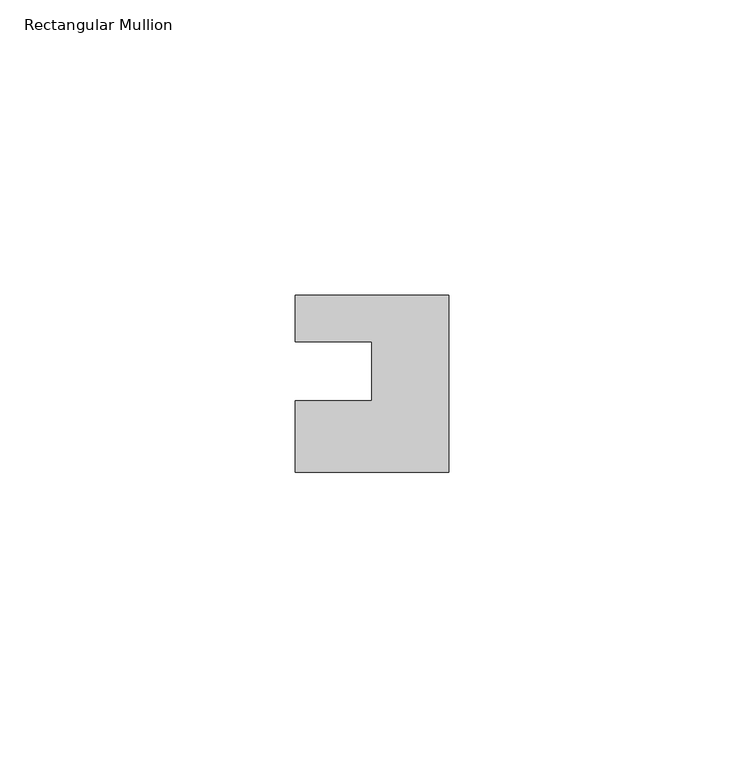
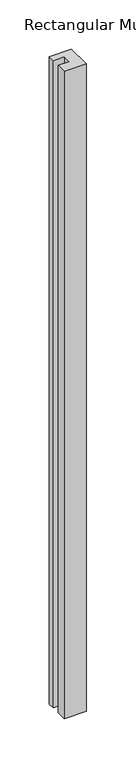
"""IFC4 building model written with IfcOpenShell, lengths in millimetres: member geometry, Rectangular Mullion."""

from ifc_helpers import new_model, si_unit, frame, origin, place, context, project, spatial, polyline, outline, extrude, source, transform, mapped, element, save


def rectangular_mullion_12085966(model_context):
    return source(origin(), model_context, "Body", "SweptSolid", [
        extrude(outline(polyline([(-26.0, 0.001), (-26.0, 7.94), (0.0, 7.94), (0.0, -22.06), (-26.0, -22.06), (-26.0, -10.0), (-13.0, -10.0), (-13.0, 0.001), (-26.0, 0.001)])), frame((0.0, 0.0, -802.0), z_axis=(0.0, 0.0, 1.0), x_axis=(1.0, 0.0, 0.0)), (0.0, 0.0, 1.0), 802.0),
    ])


if __name__ == "__main__":
    model = new_model("IFC4")
    model_context = context("Model", 3, world=origin())
    ifc_project = project(units=[si_unit("LENGTHUNIT", "METRE", prefix="MILLI")], contexts=[model_context])
    site = spatial("IfcSite", under=ifc_project)
    building = spatial("IfcBuilding", under=site)
    placement = place(None, origin())
    rectangular_mullion_shape = rectangular_mullion_12085966(model_context)
    element("IfcMember", 1, ObjectType="Rectangular Mullion", at=placement, inside=building, context=model_context, shape_type="MappedRepresentation", body=[
        mapped(rectangular_mullion_shape, transform((0.0, 0.0, 0.0), x_axis=(1.0, 0.0, 0.0), y_axis=(0.0, 1.0, 0.0), z_axis=(0.0, 0.0, 1.0))),
    ])
    save(model, "model.ifc")
